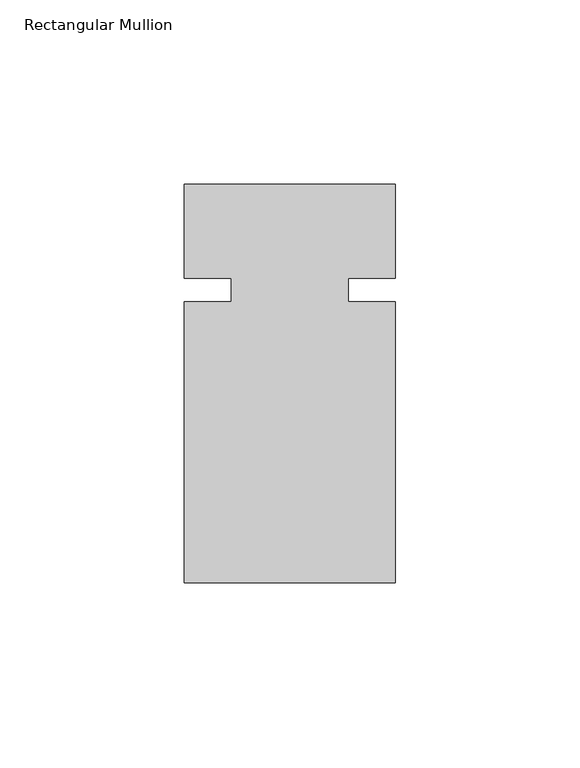
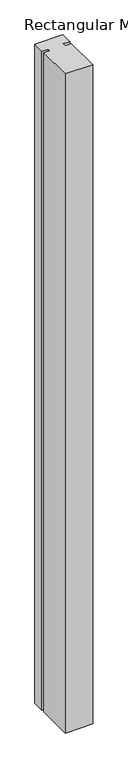
"""IFC4 building model written with IfcOpenShell, lengths in millimetres: member geometry, Rectangular Mullion."""

from ifc_helpers import new_model, si_unit, frame, origin, place, context, project, spatial, polyline, outline, extrude, source, transform, mapped, element, save


def rectangular_mullion_ef6b1934(model_context):
    return source(origin(), model_context, "Body", "SweptSolid", [
        extrude(outline(polyline([(32.9094027, -79.375), (-24.2405973, -79.375), (-24.2405973, -3.175), (-11.5405973, -3.175), (-11.5405973, 3.175), (-24.2405973, 3.175), (-24.2405973, 28.575), (32.9094027, 28.575), (32.9094027, 3.175), (20.2076322, 3.175), (20.2076322, -3.175), (32.9094027, -3.175), (32.9094027, -79.375)])), frame((0.0, 0.0, -1442.6094027), z_axis=(0.0, 0.0, 1.0), x_axis=(1.0, 0.0, 0.0)), (0.0, 0.0, 1.0), 1442.6094027),
    ])


if __name__ == "__main__":
    model = new_model("IFC4")
    model_context = context("Model", 3, world=origin())
    ifc_project = project(units=[si_unit("LENGTHUNIT", "METRE", prefix="MILLI")], contexts=[model_context])
    site = spatial("IfcSite", under=ifc_project)
    building = spatial("IfcBuilding", under=site)
    placement = place(None, origin())
    rectangular_mullion_shape = rectangular_mullion_ef6b1934(model_context)
    element("IfcMember", 1, ObjectType="Rectangular Mullion", at=placement, inside=building, context=model_context, shape_type="MappedRepresentation", body=[
        mapped(rectangular_mullion_shape, transform((0.0, 0.0, 0.0), x_axis=(1.0, 0.0, 0.0), y_axis=(0.0, 1.0, 0.0), z_axis=(0.0, 0.0, 1.0))),
    ])
    save(model, "model.ifc")
